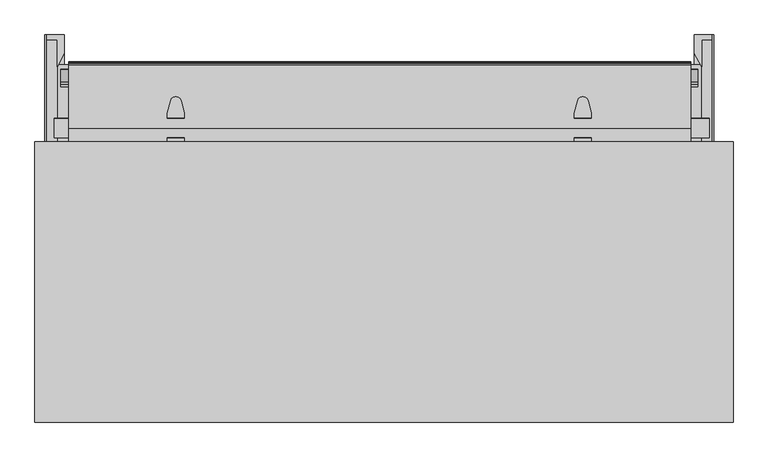
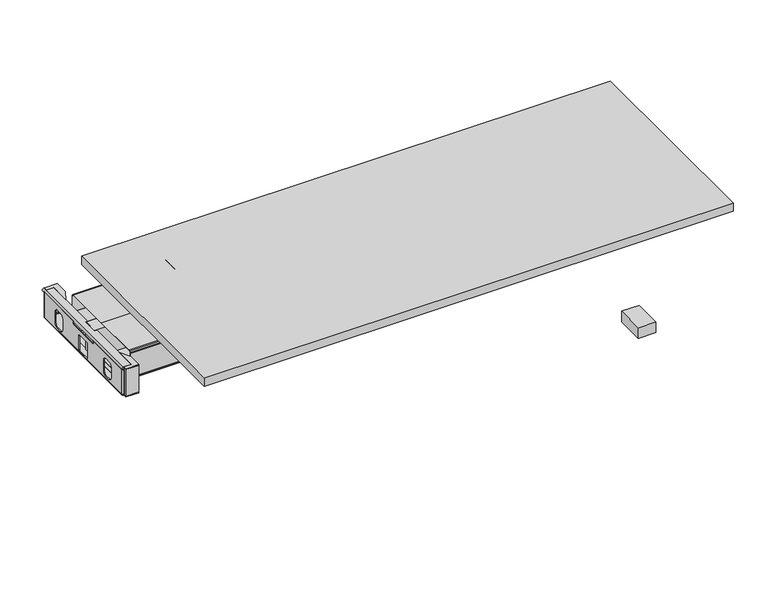
"""IFC4 building model written with IfcOpenShell, lengths in millimetres: furniture geometry."""

from ifc_helpers import new_model, si_unit, point, frame, frame_2d, origin, place, context, project, spatial, polyline, circle_curve, ellipse_curve, trimmed, segment, composite_curve, outline, extrude, faceted_brep, source, transform, mapped, element, save
from ifc_brep_helpers import plane_surface, cylinder_surface, revolved_surface, advanced_brep


def furniture_9c89288a(model_context):
    return source(origin(), model_context, "Body", "SolidModel", [
        advanced_brep(
        [(980.2317452, -273.2969187, 674.5336243), (980.2317452, -277.1711372, 673.7476984), (980.2317452, -279.3003677, 673.4744593), (980.2317452, -281.2716499, 673.3319535), (980.2317452, -283.3041204, 673.3469235), (980.2317452, -285.3440031, 673.5954548), (980.2317452, -293.0076705, 686.6122475), (980.2317452, -292.1591395, 694.0296), (980.2317452, -256.3964669, 694.0296), (980.2317452, -256.3964669, 678.5692428), (1013.0451645, -292.1591395, 694.0296), (1013.0451645, -293.0076705, 686.6122475), (1013.0451645, -285.3440031, 673.5954548), (1013.0451645, -283.3041204, 673.3469235), (1013.0451645, -281.2716499, 673.3319535), (1013.0451645, -279.3003677, 673.4744593), (1013.0451645, -277.1711372, 673.7476984), (1013.0451645, -273.2969187, 674.5336243), (1013.0451645, -257.5004732, 678.3056198), (1013.0451645, -257.5004732, 694.0296), (1012.1063131, -237.1317698, 694.0296), (1010.4193974, -235.8048758, 694.0296), (982.8066255, -235.8048758, 694.0296), (981.1197098, -237.1317698, 694.0296), (1011.2875126, -236.0381827, 690.6933211), (981.9385102, -236.0381827, 690.6933211), (1011.6291096, -236.2966335, 689.098215), (981.5969133, -236.2966335, 689.098215), (1011.9802739, -236.7820327, 687.5746161), (981.245749, -236.7820327, 687.5746161), (1012.1063131, -237.1317698, 686.8818029), (1012.1229046, -237.4917277, 686.1687426), (981.1031183, -237.4917277, 686.1687426), (981.1197098, -237.1317698, 686.8818029), (1012.1646804, -238.3980678, 684.9103165), (981.0613425, -238.3980678, 684.9103165), (1012.2167075, -239.5268143, 683.7736853), (981.0093154, -239.5268143, 683.7736853), (1012.341025, -242.2239244, 682.1070719), (980.8849979, -242.2239244, 682.1070719), (1012.4116573, -243.7563163, 681.5875542), (980.8143656, -243.7563163, 681.5875542)],
        [
            (0, 1),
            (1, 2),
            (2, 3),
            (3, 4),
            (4, 5),
            (5, 6),
            (6, 7),
            (7, 8),
            (8, 9),
            (9, 0),
            (10, 11),
            (11, 12),
            (12, 13),
            (13, 14),
            (14, 15),
            (15, 16),
            (16, 17),
            (17, 18),
            (18, 19),
            (19, 10),
            (7, 10),
            (19, 20),
            (20, 21, circle_curve(frame((1010.4177592, -237.5427158, 694.0296), z_axis=(0.0, 0.0, 1.0), x_axis=(-1.0, 0.0, 0.0)), 1.7378408)),
            (21, 22),
            (22, 23, circle_curve(frame((982.8082636, -237.5427158, 694.0296), z_axis=(0.0, 0.0, 1.0), x_axis=(1.0, 0.0, 0.0)), 1.7378408)),
            (23, 8),
            (21, 24, ellipse_curve(frame((1010.4177592, -237.5427158, 669.1785681), z_axis=(0.0, 0.997563808233696, -0.06975993479272999), x_axis=(0.0, -0.06975993479272999, -0.997563808233696)), 24.9117327, 1.7378408)),
            (24, 25),
            (25, 22, ellipse_curve(frame((982.8082636, -237.5427158, 669.1785681), z_axis=(0.0, 0.997563808233696, -0.06975993479272999), x_axis=(0.0, -0.06975993479272999, -0.997563808233696)), 24.9117327, 1.7378408)),
            (24, 26, ellipse_curve(frame((1010.4177592, -237.5427158, 681.4076466), z_axis=(0.0, 0.9871264986508672, -0.15994147573809478), x_axis=(0.0, -0.1599414757380948, -0.9871264986508672)), 10.8654796, 1.7378408)),
            (26, 27),
            (27, 25, ellipse_curve(frame((982.8082636, -237.5427158, 681.4076466), z_axis=(0.0, 0.9871264986508672, -0.15994147573809478), x_axis=(0.0, -0.1599414757380948, -0.9871264986508672)), 10.8654796, 1.7378408)),
            (26, 28, ellipse_curve(frame((1010.4177592, -237.5427158, 685.1869399), z_axis=(0.0, 0.9528141049574114, -0.3035544125757476), x_axis=(0.0, -0.3035544125757476, -0.9528141049574113)), 5.7249731, 1.7378408)),
            (28, 29),
            (29, 27, ellipse_curve(frame((982.8082636, -237.5427158, 685.1869399), z_axis=(0.0, 0.9528141049574114, -0.3035544125757476), x_axis=(0.0, -0.3035544125757476, -0.9528141049574113)), 5.7249731, 1.7378408)),
            (30, 31),
            (31, 32),
            (32, 33),
            (33, 29, ellipse_curve(frame((982.8082636, -237.5427158, 686.0677375), z_axis=(0.0, 0.8927040411549356, -0.45064342323576323), x_axis=(0.0, -0.45064342323576323, -0.8927040411549354)), 3.8563546, 1.7378408)),
            (28, 30, ellipse_curve(frame((1010.4177592, -237.5427158, 686.0677375), z_axis=(0.0, 0.8927040411549356, -0.45064342323576323), x_axis=(0.0, -0.45064342323576323, -0.8927040411549354)), 3.8563546, 1.7378408)),
            (31, 34),
            (34, 35),
            (35, 32),
            (34, 36),
            (36, 37),
            (37, 35),
            (36, 38),
            (38, 39),
            (39, 37),
            (38, 40),
            (40, 41),
            (41, 39),
            (17, 0),
            (9, 41),
            (40, 18),
            (16, 1),
            (15, 2),
            (14, 3),
            (13, 4),
            (12, 5),
            (11, 6),
            (30, 20),
            (23, 33),
        ],
        [
            plane_surface(frame((980.2317452, -277.6221997, 694.0296), z_axis=(-1.0, 0.0, 0.0), x_axis=(0.0, 1.0, 0.0))),
            plane_surface(frame((1013.0451645, -277.6221997, 694.0296), z_axis=(1.0, 0.0, 0.0), x_axis=(0.0, -1.0, 0.0))),
            plane_surface(frame((980.2317452, -292.1591395, 694.0296), z_axis=(0.0, 0.0, 1.0), x_axis=(1.0, 0.0, 0.0))),
            plane_surface(frame((980.2317452, -235.8048758, 694.0296), z_axis=(0.0, 0.997563808233696, -0.06975993479272999), x_axis=(1.0, 0.0, 0.0))),
            plane_surface(frame((980.2317452, -236.0381827, 690.6933211), z_axis=(0.0, 0.9871264986508672, -0.15994147573809478), x_axis=(1.0, 0.0, 0.0))),
            plane_surface(frame((980.2317452, -236.2966335, 689.098215), z_axis=(0.0, 0.9528141049574114, -0.3035544125757476), x_axis=(1.0, 0.0, 0.0))),
            plane_surface(frame((980.2317452, -236.7820327, 687.5746161), z_axis=(0.0, 0.8927040411549356, -0.45064342323576323), x_axis=(1.0, 0.0, 0.0))),
            plane_surface(frame((980.2317452, -237.4917277, 686.1687426), z_axis=(0.0, 0.8114507875380346, -0.5844207554526991), x_axis=(1.0, 0.0, 0.0))),
            plane_surface(frame((980.2317452, -238.3980678, 684.9103165), z_axis=(0.0, 0.709563582881154, -0.7046414136629068), x_axis=(1.0, 0.0, 0.0))),
            plane_surface(frame((980.2317452, -239.5268143, 683.7736853), z_axis=(0.0, 0.5256643953018258, -0.8506920379972801), x_axis=(1.0, 0.0, 0.0))),
            plane_surface(frame((980.2317452, -242.2239244, 682.1070719), z_axis=(0.0, 0.32107410172322703, -0.9470540751206464), x_axis=(1.0, 0.0, 0.0))),
            plane_surface(frame((980.2317452, -243.7563163, 681.5875542), z_axis=(0.0, 0.23225778917580225, -0.9726542650742702), x_axis=(1.0, 0.0, 0.0))),
            plane_surface(frame((980.2317452, -273.2969187, 674.5336243), z_axis=(0.0, 0.1988109622365403, -0.9800378570721546), x_axis=(1.0, 0.0, 0.0))),
            plane_surface(frame((980.2317452, -277.1711372, 673.7476984), z_axis=(0.0, 0.12728387031952287, -0.9918663298834591), x_axis=(1.0, 0.0, 0.0))),
            plane_surface(frame((980.2317452, -279.3003677, 673.4744593), z_axis=(0.0, 0.07210277493300896, -0.997397207659496), x_axis=(1.0, 0.0, 0.0))),
            plane_surface(frame((980.2317452, -281.2716499, 673.3319535), z_axis=(0.0, -0.007365229187275853, -0.9999728763316628), x_axis=(1.0, 0.0, 0.0))),
            plane_surface(frame((980.2317452, -283.3041204, 673.3469235), z_axis=(0.0, -0.12094176610084181, -0.992659603898743), x_axis=(1.0, 0.0, 0.0))),
            plane_surface(frame((980.2317452, -285.3440031, 673.5954548), z_axis=(0.0, -0.8617394273144986, -0.5073511204399573), x_axis=(1.0, 0.0, 0.0))),
            plane_surface(frame((980.2317452, -293.0076705, 686.6122475), z_axis=(0.0, -0.9935200698495489, 0.11365681152551958), x_axis=(1.0, 0.0, 0.0))),
            plane_surface(frame((1012.1063131, -237.1317698, 707.5184518), z_axis=(0.9989394147117105, 0.04604395438518826, 0.0), x_axis=(0.0, 0.0, -1.0))),
            cylinder_surface(frame((1010.4177592, -237.5427158, 664.7059687), z_axis=(0.0, 0.0, -1.0), x_axis=(-1.0, 0.0, 0.0)), 1.7378408),
            plane_surface(frame((978.4404627, -295.2589561, 707.5184518), z_axis=(-0.9989394147117104, 0.04604395438518822, 0.0), x_axis=(0.0, 0.0, -1.0))),
            cylinder_surface(frame((982.8082636, -237.5427158, 664.7059687), z_axis=(0.0, 0.0, -1.0), x_axis=(1.0, 0.0, 0.0)), 1.7378408),
        ],
        [
            (0, [[1, 2, 3, 4, 5, 6, 7, 8, 9, 10]]),
            (1, [[11, 12, 13, 14, 15, 16, 17, 18, 19, 20]]),
            (2, [[21, -20, 22, 23, 24, 25, 26, -8]]),
            (3, [[27, 28, 29, -24]]),
            (4, [[30, 31, 32, -28]]),
            (5, [[33, 34, 35, -31]]),
            (6, [[36, 37, 38, 39, -34, 40]]),
            (7, [[41, 42, 43, -37]]),
            (8, [[44, 45, 46, -42]]),
            (9, [[47, 48, 49, -45]]),
            (10, [[50, 51, 52, -48]]),
            (11, [[53, -10, 54, -51, 55, -18]]),
            (12, [[-1, -53, -17, 56]]),
            (13, [[-2, -56, -16, 57]]),
            (14, [[-3, -57, -15, 58]]),
            (15, [[-4, -58, -14, 59]]),
            (16, [[-5, -59, -13, 60]]),
            (17, [[-6, -60, -12, 61]]),
            (18, [[-7, -61, -11, -21]]),
            (19, [[62, -22, -19, -55, -50, -47, -44, -41, -36]]),
            (20, [[-62, -40, -33, -30, -27, -23]]),
            (21, [[63, -38, -43, -46, -49, -52, -54, -9, -26]]),
            (22, [[-63, -25, -29, -32, -35, -39]]),
        ],
    ),
        faceted_brep([(979.001947, -282.1027948, 686.044488), (978.8056147, -285.039303, 686.8903046), (1014.3145074, -285.039303, 686.8903046), (1014.1791554, -282.1027948, 686.044488), (979.1465732, -279.9396455, 684.1507699), (1014.0794497, -279.9396455, 684.1507699), (979.2145724, -278.9225927, 681.8837571), (1014.0325708, -278.9225927, 681.8837571), (979.2293768, -278.7011673, 680.5487368), (1014.0223647, -278.7011673, 680.5487368), (979.2261142, -278.7499652, 679.266911), (1014.0246139, -278.7499652, 679.266911), (979.2106539, -278.9812011, 677.9856665), (1014.0352722, -278.9812011, 677.9856665), (979.1493839, -279.8976059, 676.147552), (1014.0775119, -279.8976059, 676.147552), (979.0326986, -281.6428482, 674.4888596), (1014.1579551, -281.6428482, 674.4888596), (978.8544858, -284.3083469, 673.4638495), (1014.2808155, -284.3083469, 673.4638495), (978.762786, -285.6798838, 673.3923422), (1014.3440336, -285.6798838, 673.3923422), (975.8473822, -329.285071, 680.0595952), (1014.7855602, -295.2589561, 674.8569867), (1015.3204622, -295.2589561, 674.8569867), (1017.5954178, -329.285071, 680.0595952), (975.8040016, -329.9339079, 680.1595153), (1017.6387984, -329.9339079, 680.1595153), (1016.216104, -331.0015723, 680.3239343), (1012.8218056, -332.2508783, 680.516326), (980.6209944, -332.2508783, 680.516326), (977.226696, -331.0015723, 680.3239343), (985.8962098, -334.1924749, 680.8136916), (1007.5465902, -334.1924749, 680.8136916), (990.1723762, -335.7663614, 681.9486514), (1003.2704238, -335.7663614, 681.9486514), (989.8005958, -335.6295239, 684.2460402), (1003.6422042, -335.6295239, 684.2460402), (985.3815491, -334.0030488, 685.1806857), (1008.0612509, -334.0030488, 685.1806857), (977.9840778, -331.2803344, 685.2767186), (1015.4587222, -331.2803344, 685.2767186), (975.8040016, -329.9339079, 685.3237023), (977.226696, -331.0015723, 685.286446), (1016.216104, -331.0015723, 685.286446), (1017.6387984, -329.9339079, 685.3237023), (1015.3204622, -295.2589561, 686.5336886), (1014.7855602, -295.2589561, 686.5336886)], [[[0, 1, 2, 3]], [[4, 0, 3, 5]], [[6, 4, 5, 7]], [[8, 6, 7, 9]], [[10, 8, 9, 11]], [[12, 10, 11, 13]], [[14, 12, 13, 15]], [[16, 14, 15, 17]], [[18, 16, 17, 19]], [[20, 18, 19, 21]], [[22, 20, 21, 23, 24, 25]], [[26, 22, 25, 27, 28, 29, 30, 31]], [[32, 30, 29, 33]], [[34, 32, 33, 35]], [[36, 34, 35, 37]], [[38, 36, 37, 39]], [[40, 38, 39, 41]], [[1, 42, 43, 40, 41, 44, 45, 46, 47, 2]], [[26, 42, 1, 0, 4, 6, 8, 10, 12, 14, 16, 18, 20, 22]], [[43, 31, 30, 32, 34, 36, 38, 40]], [[42, 26, 31, 43]], [[47, 23, 21, 19, 17, 15, 13, 11, 9, 7, 5, 3, 2]], [[23, 47, 46, 24]], [[45, 27, 25, 24, 46]], [[28, 44, 41, 39, 37, 35, 33, 29]], [[44, 28, 27, 45]]]),
        extrude(outline(polyline([(-716.6329639, 633.2744336), (-716.6329639, 639.3704277), (-671.6647785, 639.3704277), (-671.6647785, 633.2744336), (-716.6329639, 633.2744336)])), frame((0.0, 0.0, 332.4085572), z_axis=(0.0, 0.0, 1.0), x_axis=(1.0, 0.0, 0.0)), (0.0, 0.0, 1.0), 96.2863103),
        extrude(outline(polyline([(-716.6329639, 627.2010571), (-716.6329639, 639.3704277), (-671.6647785, 639.3704277), (-671.6647785, 627.2010571), (-716.6329639, 627.2010571)])), frame((0.0, 0.0, 329.7517063), z_axis=(0.0, 0.0, 1.0), x_axis=(1.0, 0.0, 0.0)), (0.0, 0.0, 1.0), 2.6568509),
        extrude(outline(polyline([(-690.7147785, 557.0887375), (-690.7147785, 627.4425925), (-716.6329639, 627.4425925), (-716.6329639, 639.3704277), (-671.6647785, 639.3704277), (-671.6647785, 592.5319047), (-690.7147785, 557.0887375)])), frame((0.0, 0.0, 428.6948675), z_axis=(0.0, 0.0, 1.0), x_axis=(1.0, 0.0, 0.0)), (0.0, 0.0, 1.0), 2.6568509),
        extrude(outline(polyline([(-716.6329639, 158.9882127), (-716.6329639, 170.9160479), (-671.6647785, 170.9160479), (-671.6647785, 158.9882127), (-716.6329639, 158.9882127)])), frame((0.0, 0.0, 329.7517063), z_axis=(0.0, 0.0, 1.0), x_axis=(1.0, 0.0, 0.0)), (0.0, 0.0, 1.0), 2.6568509),
        extrude(outline(polyline([(-716.6329639, 158.9882127), (-716.6329639, 165.0842069), (-671.6647785, 165.0842069), (-671.6647785, 158.9882127), (-716.6329639, 158.9882127)])), frame((0.0, 0.0, 332.4085572), z_axis=(0.0, 0.0, 1.0), x_axis=(1.0, 0.0, 0.0)), (0.0, 0.0, 1.0), 96.2863103),
        extrude(outline(polyline([(-690.766129, 241.2699029), (-671.6647785, 205.8267357), (-671.6647785, 158.9882127), (-716.6329639, 158.9882127), (-716.6329639, 170.9160479), (-690.766129, 170.9160479), (-690.766129, 241.2699029)])), frame((0.0, 0.0, 428.6948675), z_axis=(0.0, 0.0, 1.0), x_axis=(1.0, 0.0, 0.0)), (0.0, 0.0, 1.0), 2.6568509),
        extrude(outline(composite_curve([segment(trimmed(circle_curve(frame_2d((-716.684237, 170.9160479)), 5.8318411), [point((-716.684237, 165.0842069))], [point((-722.5160781, 170.9160479))], False, "CARTESIAN"), True, "CONTINUOUS"), segment(polyline([(-722.5160781, 170.9160479), (-719.8593386, 170.9160479)]), True, "CONTINUOUS"), segment(trimmed(circle_curve(frame_2d((-716.6843029, 170.9160843)), 3.1750357), [point((-719.8593386, 170.9160479))], [point((-716.6144408, 167.7418174))], True, "CARTESIAN"), True, "CONTINUOUS"), segment(polyline([(-716.6144408, 167.7418174), (-671.6647785, 167.7418174), (-671.6647785, 165.0842069), (-716.684237, 165.0842069)]), True, "CONTINUOUS")], self_intersect=False)), frame((0.0, 0.0, 337.371699), z_axis=(0.0, 0.0, 1.0), x_axis=(1.0, 0.0, 0.0)), (0.0, 0.0, 1.0), 87.8941627),
        extrude(outline(polyline([(342.9173325, 425.2658616), (337.0354481, 421.6463878), (337.0354481, 416.1853839), (341.0613469, 412.1594669), (457.0505017, 412.1594669), (461.0764369, 416.1853839), (461.0764369, 421.6463878), (454.0472738, 425.9718869), (627.4425766, 425.9718869), (627.4425766, 333.9274688), (170.9160479, 333.9274688), (170.9160479, 425.2658616), (342.9173325, 425.2658616)]), holes=[polyline([(233.9635599, 355.1517184), (235.6650368, 348.8017063), (240.3135539, 344.1531891), (246.663566, 342.4517305), (265.713566, 342.4517305), (272.0635599, 344.1531891), (276.7120862, 348.8017063), (278.413563, 355.1517184), (278.413563, 393.2517184), (276.7120862, 399.6017305), (272.0635599, 404.2502476), (265.713566, 405.9517063), (246.663566, 405.9517063), (240.3135539, 404.2502476), (235.6650368, 399.6017305), (233.9635599, 393.2517184), (233.9635599, 355.1517184)]), polyline([(424.4559432, 341.1336423), (424.4559432, 392.426696), (423.9200452, 394.4267193), (422.4559432, 395.8908015), (420.4559432, 396.4267063), (377.6345424, 396.4267063), (375.6345441, 395.8908015), (374.1704415, 394.4267193), (373.6345435, 392.426696), (373.6345435, 341.1336423), (374.1704415, 339.1336554), (375.6345441, 337.6695369), (377.6345424, 337.1336321), (420.4559432, 337.1336321), (422.4559432, 337.6695369), (423.9200452, 339.1336554), (424.4559432, 341.1336423)]), polyline([(564.1483295, 355.1517184), (564.1483295, 393.2517184), (562.4468527, 399.6017305), (557.7983356, 404.2502476), (551.4483235, 405.9517063), (532.3983235, 405.9517063), (526.0483295, 404.2502476), (521.3998033, 399.6017305), (519.6983265, 393.2517184), (519.6983265, 355.1517184), (521.3998033, 348.8017063), (526.0483295, 344.1531891), (532.3983235, 342.4517305), (551.4483235, 342.4517305), (557.7983356, 344.1531891), (562.4468527, 348.8017063), (564.1483295, 355.1517184)])]), frame((-722.5160781, 0.0, 0.0), z_axis=(1.0, 0.0, 0.0), x_axis=(0.0, 1.0, 0.0)), (0.0, 0.0, 1.0), 2.6568146),
        extrude(outline(composite_curve([segment(trimmed(circle_curve(frame_2d((425.1720964, -716.3268352)), 6.1899531), [point((431.3517184, -716.6843144))], [point((425.2658616, -722.5160781))], False, "CARTESIAN"), True, "CONTINUOUS"), segment(polyline([(425.2658616, -722.5160781), (425.2658616, -719.8895529)]), True, "CONTINUOUS"), segment(trimmed(circle_curve(frame_2d((425.2452738, -716.4400206)), 3.4495937), [point((425.2658616, -719.8895529))], [point((428.6948675, -716.4400206))], True, "CARTESIAN"), True, "CONTINUOUS"), segment(polyline([(428.6948675, -716.4400206), (428.6948675, -690.766129), (431.3517184, -690.766129), (431.3517184, -716.6843144)]), True, "CONTINUOUS")], self_intersect=False)), frame((0.0, 170.9160479, 0.0), z_axis=(0.0, 1.0, 0.0), x_axis=(0.0, 0.0, 1.0)), (0.0, 0.0, 1.0), 468.4543798),
        extrude(outline(composite_curve([segment(polyline([(-716.6841619, 633.0328981), (-672.5648392, 633.0328981), (-672.5648392, 630.3752876), (-716.6143657, 630.3752876)]), True, "CONTINUOUS"), segment(trimmed(circle_curve(frame_2d((-716.6842278, 627.2010206)), 3.1750357), [point((-716.6143657, 630.3752876))], [point((-719.8592635, 627.2010571))], True, "CARTESIAN"), True, "CONTINUOUS"), segment(polyline([(-719.8592635, 627.2010571), (-722.5160029, 627.2010571)]), True, "CONTINUOUS"), segment(trimmed(circle_curve(frame_2d((-716.6841619, 627.2010571)), 5.8318411), [point((-722.5160029, 627.2010571))], [point((-716.6841619, 633.0328981))], False, "CARTESIAN"), True, "CONTINUOUS")], self_intersect=False)), frame((0.0, 0.0, 337.371699), z_axis=(0.0, 0.0, 1.0), x_axis=(1.0, 0.0, 0.0)), (0.0, 0.0, 1.0), 87.8941627),
        extrude(outline(composite_curve([segment(polyline([(335.5835451, -719.8592635), (335.5835451, -722.5160029)]), True, "CONTINUOUS"), segment(trimmed(circle_curve(frame_2d((335.5835451, -716.6841641)), 5.8318388), [point((335.5835451, -722.5160029))], [point((329.7517063, -716.6841641))], False, "CARTESIAN"), True, "CONTINUOUS"), segment(polyline([(329.7517063, -716.6841641), (329.7517063, -671.6647785), (332.4090868, -671.6647785), (332.4090868, -716.6263376)]), True, "CONTINUOUS"), segment(trimmed(circle_curve(frame_2d((335.5834916, -716.684329)), 3.1749345), [point((332.4090868, -716.6263376))], [point((335.5835451, -719.8592635))], True, "CARTESIAN"), True, "CONTINUOUS")], self_intersect=False)), frame((0.0, 170.9160479, 0.0), z_axis=(0.0, 1.0, 0.0), x_axis=(0.0, 0.0, 1.0)), (0.0, 0.0, 1.0), 456.2850092),
        extrude(outline(polyline([(988.613747, 562.6755316), (988.613747, 235.531324), (-694.0181082, 235.531324), (-694.0181082, 562.6755316), (988.613747, 562.6755316)])), frame((0.0, 0.0, 332.4090868), z_axis=(0.0, 0.0, 1.0), x_axis=(1.0, 0.0, 0.0)), (0.0, 0.0, 1.0), 1.518382),
        extrude(outline(polyline([(997.2505912, 639.3704277), (997.2505912, 633.2744336), (952.2824058, 633.2744336), (952.2824058, 639.3704277), (997.2505912, 639.3704277)])), frame((0.0, 0.0, 332.4085572), z_axis=(0.0, 0.0, 1.0), x_axis=(1.0, 0.0, 0.0)), (0.0, 0.0, 1.0), 96.2863103),
        extrude(outline(polyline([(997.2505912, 639.3704277), (997.2505912, 627.2010571), (952.2824058, 627.2010571), (952.2824058, 639.3704277), (997.2505912, 639.3704277)])), frame((0.0, 0.0, 329.7517063), z_axis=(0.0, 0.0, 1.0), x_axis=(1.0, 0.0, 0.0)), (0.0, 0.0, 1.0), 2.6568509),
        extrude(outline(polyline([(971.3324058, 557.0887375), (952.2824058, 592.5319047), (952.2824058, 639.3704277), (997.2505912, 639.3704277), (997.2505912, 627.4425925), (971.3324058, 627.4425925), (971.3324058, 557.0887375)])), frame((0.0, 0.0, 428.6948675), z_axis=(0.0, 0.0, 1.0), x_axis=(1.0, 0.0, 0.0)), (0.0, 0.0, 1.0), 2.6568509),
        extrude(outline(polyline([(997.2505912, 170.9160479), (997.2505912, 158.9882127), (952.2824058, 158.9882127), (952.2824058, 170.9160479), (997.2505912, 170.9160479)])), frame((0.0, 0.0, 329.7517063), z_axis=(0.0, 0.0, 1.0), x_axis=(1.0, 0.0, 0.0)), (0.0, 0.0, 1.0), 2.6568509),
        extrude(outline(polyline([(997.2505912, 165.0842069), (997.2505912, 158.9882127), (952.2824058, 158.9882127), (952.2824058, 165.0842069), (997.2505912, 165.0842069)])), frame((0.0, 0.0, 332.4085572), z_axis=(0.0, 0.0, 1.0), x_axis=(1.0, 0.0, 0.0)), (0.0, 0.0, 1.0), 96.2863103),
        extrude(outline(polyline([(971.3324058, 241.2699029), (971.3324058, 170.9160479), (997.2505912, 170.9160479), (997.2505912, 158.9882127), (952.2824058, 158.9882127), (952.2824058, 205.8267357), (971.3324058, 241.2699029)])), frame((0.0, 0.0, 428.6948675), z_axis=(0.0, 0.0, 1.0), x_axis=(1.0, 0.0, 0.0)), (0.0, 0.0, 1.0), 2.6568509),
        extrude(outline(composite_curve([segment(polyline([(997.3018643, 165.0842069), (952.2824058, 165.0842069), (952.2824058, 167.7418174), (997.2320682, 167.7418174)]), True, "CONTINUOUS"), segment(trimmed(circle_curve(frame_2d((997.3019303, 170.9160843)), 3.1750357), [point((997.2320682, 167.7418174))], [point((1000.476966, 170.9160479))], True, "CARTESIAN"), True, "CONTINUOUS"), segment(polyline([(1000.476966, 170.9160479), (1003.1337054, 170.9160479)]), True, "CONTINUOUS"), segment(trimmed(circle_curve(frame_2d((997.3018643, 170.9160479)), 5.8318411), [point((1003.1337054, 170.9160479))], [point((997.3018643, 165.0842069))], False, "CARTESIAN"), True, "CONTINUOUS")], self_intersect=False)), frame((0.0, 0.0, 337.371699), z_axis=(0.0, 0.0, 1.0), x_axis=(1.0, 0.0, 0.0)), (0.0, 0.0, 1.0), 87.8941627),
        extrude(outline(polyline([(342.9173325, 425.2658616), (337.0354481, 421.6463878), (337.0354481, 416.1853839), (341.0613469, 412.1594669), (457.0505017, 412.1594669), (461.0764369, 416.1853839), (461.0764369, 421.6463878), (454.0472738, 425.9718869), (627.4425766, 425.9718869), (627.4425766, 333.9274688), (170.9160479, 333.9274688), (170.9160479, 425.2658616), (342.9173325, 425.2658616)]), holes=[polyline([(233.9635599, 355.1517184), (235.6650368, 348.8017063), (240.3135539, 344.1531891), (246.663566, 342.4517305), (265.713566, 342.4517305), (272.0635599, 344.1531891), (276.7120862, 348.8017063), (278.413563, 355.1517184), (278.413563, 393.2517184), (276.7120862, 399.6017305), (272.0635599, 404.2502476), (265.713566, 405.9517063), (246.663566, 405.9517063), (240.3135539, 404.2502476), (235.6650368, 399.6017305), (233.9635599, 393.2517184), (233.9635599, 355.1517184)]), polyline([(424.4559432, 341.1336423), (424.4559432, 392.426696), (423.9200452, 394.4267193), (422.4559432, 395.8908015), (420.4559432, 396.4267063), (377.6345424, 396.4267063), (375.6345441, 395.8908015), (374.1704415, 394.4267193), (373.6345435, 392.426696), (373.6345435, 341.1336423), (374.1704415, 339.1336554), (375.6345441, 337.6695369), (377.6345424, 337.1336321), (420.4559432, 337.1336321), (422.4559432, 337.6695369), (423.9200452, 339.1336554), (424.4559432, 341.1336423)]), polyline([(564.1483295, 355.1517184), (564.1483295, 393.2517184), (562.4468527, 399.6017305), (557.7983356, 404.2502476), (551.4483235, 405.9517063), (532.3983235, 405.9517063), (526.0483295, 404.2502476), (521.3998033, 399.6017305), (519.6983265, 393.2517184), (519.6983265, 355.1517184), (521.3998033, 348.8017063), (526.0483295, 344.1531891), (532.3983235, 342.4517305), (551.4483235, 342.4517305), (557.7983356, 344.1531891), (562.4468527, 348.8017063), (564.1483295, 355.1517184)])]), frame((997.2505912, 0.0, 0.0), z_axis=(1.0, 0.0, 0.0), x_axis=(0.0, 1.0, 0.0)), (0.0, 0.0, 1.0), 3.2262996),
        faceted_brep([(943.1400259, 227.963817, 425.8310036), (943.1400259, 227.963817, 340.2751793), (943.1400259, 227.963817, 338.091367), (943.1400259, 228.9762009, 334.3130557), (943.1400259, 231.7467258, 331.542549), (943.1400259, 235.531324, 330.5284757), (943.1400259, 398.8377457, 330.5284757), (943.1400259, 562.8273164, 330.5284757), (943.1400259, 566.6119146, 331.542549), (943.1400259, 569.3824396, 334.3130557), (943.1400259, 570.3948234, 338.091367), (943.1400259, 570.3948234, 340.2751793), (943.1400259, 570.3948234, 425.8310036), (943.1400259, 569.4215919, 429.4631947), (943.1400259, 566.6102252, 432.3861267), (943.1400259, 562.825627, 433.4002), (943.1400259, 397.785447, 433.4002), (943.1400259, 235.5330134, 433.4002), (943.1400259, 231.7484152, 432.3861267), (943.1400259, 228.9370485, 429.4631947), (943.1400259, 235.5330134, 432.1810157), (943.1400259, 396.9389352, 432.1810157), (943.1400259, 562.825627, 432.1810157), (943.1400259, 566.000633, 431.3302682), (943.1400259, 568.3248916, 429.0059915), (943.1400259, 569.1756391, 425.8310036), (943.1400259, 569.1756391, 340.2751793), (943.1400259, 569.1756391, 338.0914349), (943.1400259, 568.326581, 334.9226842), (943.1400259, 566.0023225, 332.5984075), (943.1400259, 562.8273164, 331.74766), (943.1400259, 397.7786116, 331.74766), (943.1400259, 235.531324, 331.74766), (943.1400259, 232.3563179, 332.5984075), (943.1400259, 230.0320594, 334.9226842), (943.1400259, 229.1830013, 338.0914349), (943.1400259, 229.1830013, 340.2751793), (943.1400259, 229.1830013, 425.8310036), (943.1400259, 230.0337488, 429.0059915), (943.1400259, 232.3580074, 431.3302682), (-660.9408985, 227.963817, 425.8310036), (-660.9408985, 228.9370485, 429.4631947), (-660.9408985, 231.7484152, 432.3861267), (-660.9408985, 235.5330134, 433.4002), (-660.9408985, 397.785447, 433.4002), (-660.9408985, 562.825627, 433.4002), (-660.9408985, 566.6102252, 432.3861267), (-660.9408985, 569.4215919, 429.4631947), (-660.9408985, 570.3948234, 425.8310036), (-660.9408985, 570.3948234, 340.2751793), (-660.9408985, 570.3948234, 338.091367), (-660.9408985, 569.3824396, 334.3130557), (-660.9408985, 566.6119146, 331.542549), (-660.9408985, 562.8273164, 330.5284757), (-660.9408985, 398.8377457, 330.5284757), (-660.9408985, 235.531324, 330.5284757), (-660.9408985, 231.7467258, 331.542549), (-660.9408985, 228.9762009, 334.3130557), (-660.9408985, 227.963817, 338.091367), (-660.9408985, 227.963817, 340.2751793), (-660.9408985, 235.5330134, 432.1810157), (-660.9408985, 232.3580074, 431.3302682), (-660.9408985, 230.0337488, 429.0059915), (-660.9408985, 229.1830013, 425.8310036), (-660.9408985, 229.1830013, 340.2751793), (-660.9408985, 229.1830013, 338.0914349), (-660.9408985, 230.0320594, 334.9226842), (-660.9408985, 232.3563179, 332.5984075), (-660.9408985, 235.531324, 331.74766), (-660.9408985, 397.7786116, 331.74766), (-660.9408985, 562.8273164, 331.74766), (-660.9408985, 566.0023225, 332.5984075), (-660.9408985, 568.326581, 334.9226842), (-660.9408985, 569.1756391, 338.0914349), (-660.9408985, 569.1756391, 340.2751793), (-660.9408985, 569.1756391, 425.8310036), (-660.9408985, 568.3248916, 429.0059915), (-660.9408985, 566.000633, 431.3302682), (-660.9408985, 562.825627, 432.1810157), (-660.9408985, 396.9389352, 432.1810157), (-406.7047758, 360.9565261, 432.1810157), (-398.0451218, 328.5218157, 432.1810157), (-395.6303984, 323.3434246, 432.1810157), (-391.1899754, 319.7476409, 432.1810157), (-385.6226676, 318.4623267, 432.1810157), (-383.336917, 318.4623267, 432.1810157), (-377.7696093, 319.7476409, 432.1810157), (-373.3291863, 323.3434246, 432.1810157), (-370.9144421, 328.5218604, 432.1810157), (-362.2548, 360.9565261, 432.1810157), (-362.2548, 373.6565253, 432.1810157), (-406.7047758, 373.6565253, 432.1810157), (687.2587307, 360.9565261, 432.1810157), (687.2587307, 373.6565253, 432.1810157), (642.8087549, 373.6565253, 432.1810157), (642.8087549, 360.9565261, 432.1810157), (651.468397, 328.5218604, 432.1810157), (653.8831412, 323.3434246, 432.1810157), (658.3235642, 319.7476409, 432.1810157), (663.890872, 318.4623267, 432.1810157), (666.1766226, 318.4623267, 432.1810157), (671.7439303, 319.7476409, 432.1810157), (676.1843533, 323.3434246, 432.1810157), (678.5990767, 328.5218157, 432.1810157), (-398.0451218, 328.5218157, 433.4002), (-406.7047758, 360.9565261, 433.4002), (-406.7047758, 373.6565253, 433.4002), (-362.2548, 373.6565253, 433.4002), (-362.2548, 360.9565261, 433.4002), (-370.9144421, 328.5218604, 433.4002), (-373.3291863, 323.3434246, 433.4002), (-377.7696093, 319.7476409, 433.4002), (-383.336917, 318.4623267, 433.4002), (-385.6226676, 318.4623267, 433.4002), (-391.1899754, 319.7476409, 433.4002), (-395.6303984, 323.3434246, 433.4002), (687.2587307, 373.6565253, 433.4002), (687.2587307, 360.9565261, 433.4002), (678.5990767, 328.5218157, 433.4002), (676.1843533, 323.3434246, 433.4002), (671.7439303, 319.7476409, 433.4002), (666.1766226, 318.4623267, 433.4002), (663.890872, 318.4623267, 433.4002), (658.3235642, 319.7476409, 433.4002), (653.8831412, 323.3434246, 433.4002), (651.468397, 328.5218604, 433.4002), (642.8087549, 360.9565261, 433.4002), (642.8087549, 373.6565253, 433.4002), (-406.7047758, 424.7021151, 433.4002), (-406.7047758, 437.4021143, 433.4002), (-398.0451218, 469.8368247, 433.4002), (-395.6303984, 475.0152158, 433.4002), (-391.1899754, 478.6109995, 433.4002), (-385.6226676, 479.8963137, 433.4002), (-383.336917, 479.8963137, 433.4002), (-377.7696093, 478.6109995, 433.4002), (-373.3291863, 475.0152158, 433.4002), (-370.9144421, 469.83678, 433.4002), (-362.2548, 437.4021143, 433.4002), (-362.2548, 424.7021151, 433.4002), (678.5990767, 469.8368247, 433.4002), (687.2587307, 437.4021143, 433.4002), (687.2587307, 424.7021151, 433.4002), (642.8087549, 424.7021151, 433.4002), (642.8087549, 437.4021143, 433.4002), (651.468397, 469.83678, 433.4002), (653.8831412, 475.0152158, 433.4002), (658.3235642, 478.6109995, 433.4002), (663.890872, 479.8963137, 433.4002), (666.1766226, 479.8963137, 433.4002), (671.7439303, 478.6109995, 433.4002), (676.1843533, 475.0152158, 433.4002), (-406.7047758, 437.4021143, 432.1810157), (-406.7047758, 424.7021151, 432.1810157), (-362.2548, 424.7021151, 432.1810157), (-362.2548, 437.4021143, 432.1810157), (-370.9144421, 469.83678, 432.1810157), (-373.3291863, 475.0152158, 432.1810157), (-377.7696093, 478.6109995, 432.1810157), (-383.336917, 479.8963137, 432.1810157), (-385.6226676, 479.8963137, 432.1810157), (-391.1899754, 478.6109995, 432.1810157), (-395.6303984, 475.0152158, 432.1810157), (-398.0451218, 469.8368247, 432.1810157), (687.2587307, 437.4021143, 432.1810157), (678.5990767, 469.8368247, 432.1810157), (676.1843533, 475.0152158, 432.1810157), (671.7439303, 478.6109995, 432.1810157), (666.1766226, 479.8963137, 432.1810157), (663.890872, 479.8963137, 432.1810157), (658.3235642, 478.6109995, 432.1810157), (653.8831412, 475.0152158, 432.1810157), (651.468397, 469.83678, 432.1810157), (642.8087549, 437.4021143, 432.1810157), (642.8087549, 424.7021151, 432.1810157), (687.2587307, 424.7021151, 432.1810157)], [[[0, 1, 2, 3, 4, 5, 6, 7, 8, 9, 10, 11, 12, 13, 14, 15, 16, 17, 18, 19], [20, 21, 22, 23, 24, 25, 26, 27, 28, 29, 30, 31, 32, 33, 34, 35, 36, 37, 38, 39]], [[40, 41, 42, 43, 44, 45, 46, 47, 48, 49, 50, 51, 52, 53, 54, 55, 56, 57, 58, 59], [60, 61, 62, 63, 64, 65, 66, 67, 68, 69, 70, 71, 72, 73, 74, 75, 76, 77, 78, 79]], [[37, 36, 64, 63]], [[38, 37, 63, 62]], [[39, 38, 62, 61]], [[20, 39, 61, 60]], [[21, 20, 60, 79], [80, 81, 82, 83, 84, 85, 86, 87, 88, 89, 90, 91], [92, 93, 94, 95, 96, 97, 98, 99, 100, 101, 102, 103]], [[17, 16, 44, 43], [104, 105, 106, 107, 108, 109, 110, 111, 112, 113, 114, 115], [116, 117, 118, 119, 120, 121, 122, 123, 124, 125, 126, 127]], [[18, 17, 43, 42]], [[19, 18, 42, 41]], [[0, 19, 41, 40]], [[1, 0, 40, 59]], [[2, 1, 59, 58]], [[3, 2, 58, 57]], [[4, 3, 57, 56]], [[5, 4, 56, 55]], [[6, 5, 55, 54]], [[7, 6, 54, 53]], [[8, 7, 53, 52]], [[9, 8, 52, 51]], [[10, 9, 51, 50]], [[11, 10, 50, 49]], [[12, 11, 49, 48]], [[13, 12, 48, 47]], [[14, 13, 47, 46]], [[15, 14, 46, 45]], [[16, 15, 45, 44], [128, 129, 130, 131, 132, 133, 134, 135, 136, 137, 138, 139], [140, 141, 142, 143, 144, 145, 146, 147, 148, 149, 150, 151]], [[22, 21, 79, 78], [152, 153, 154, 155, 156, 157, 158, 159, 160, 161, 162, 163], [164, 165, 166, 167, 168, 169, 170, 171, 172, 173, 174, 175]], [[23, 22, 78, 77]], [[24, 23, 77, 76]], [[25, 24, 76, 75]], [[26, 25, 75, 74]], [[27, 26, 74, 73]], [[28, 27, 73, 72]], [[29, 28, 72, 71]], [[30, 29, 71, 70]], [[31, 30, 70, 69]], [[32, 31, 69, 68]], [[33, 32, 68, 67]], [[34, 33, 67, 66]], [[35, 34, 66, 65]], [[36, 35, 65, 64]], [[80, 105, 104, 81]], [[81, 104, 115, 82]], [[82, 115, 114, 83]], [[83, 114, 113, 84]], [[84, 113, 112, 85]], [[85, 112, 111, 86]], [[86, 111, 110, 87]], [[87, 110, 109, 88]], [[88, 109, 108, 89]], [[89, 108, 107, 90]], [[90, 107, 106, 91]], [[105, 80, 91, 106]], [[92, 117, 116, 93]], [[93, 116, 127, 94]], [[94, 127, 126, 95]], [[95, 126, 125, 96]], [[96, 125, 124, 97]], [[97, 124, 123, 98]], [[98, 123, 122, 99]], [[99, 122, 121, 100]], [[100, 121, 120, 101]], [[101, 120, 119, 102]], [[102, 119, 118, 103]], [[117, 92, 103, 118]], [[152, 129, 128, 153]], [[153, 128, 139, 154]], [[154, 139, 138, 155]], [[155, 138, 137, 156]], [[156, 137, 136, 157]], [[157, 136, 135, 158]], [[158, 135, 134, 159]], [[159, 134, 133, 160]], [[160, 133, 132, 161]], [[161, 132, 131, 162]], [[162, 131, 130, 163]], [[129, 152, 163, 130]], [[164, 141, 140, 165]], [[165, 140, 151, 166]], [[166, 151, 150, 167]], [[167, 150, 149, 168]], [[168, 149, 148, 169]], [[169, 148, 147, 170]], [[170, 147, 146, 171]], [[171, 146, 145, 172]], [[172, 145, 144, 173]], [[173, 144, 143, 174]], [[174, 143, 142, 175]], [[141, 164, 175, 142]]]),
        extrude(outline(composite_curve([segment(trimmed(circle_curve(frame_2d((422.8428694, 431.8444538)), 1.5557462), [point((422.8428694, 433.4002))], [point((424.3986156, 431.8444538))], False, "CARTESIAN"), True, "CONTINUOUS"), segment(polyline([(424.3986156, 431.8444538), (424.3986156, 333.9274688), (374.3606156, 333.9274688), (374.3606156, 433.4002), (422.8428694, 433.4002)]), True, "CONTINUOUS")], self_intersect=False)), frame((-698.3783882, 0.0, 0.0), z_axis=(1.0, 0.0, 0.0), x_axis=(0.0, 1.0, 0.0)), (0.0, 0.0, 1.0), 1689.2789923),
        extrude(outline(composite_curve([segment(polyline([(431.3517184, 997.2505912), (431.3517184, 971.3324058), (428.6948675, 971.3324058), (428.6948675, 997.0062975)]), True, "CONTINUOUS"), segment(trimmed(circle_curve(frame_2d((425.2452738, 997.0062975)), 3.4495937), [point((428.6948675, 997.0062975))], [point((425.2658616, 1000.4558297))], True, "CARTESIAN"), True, "CONTINUOUS"), segment(polyline([(425.2658616, 1000.4558297), (425.2658616, 1003.0823549)]), True, "CONTINUOUS"), segment(trimmed(circle_curve(frame_2d((425.1720964, 996.893112)), 6.1899531), [point((425.2658616, 1003.0823549))], [point((431.3517184, 997.2505912))], False, "CARTESIAN"), True, "CONTINUOUS")], self_intersect=False)), frame((0.0, 170.9160479, 0.0), z_axis=(0.0, 1.0, 0.0), x_axis=(0.0, 0.0, 1.0)), (0.0, 0.0, 1.0), 468.4543798),
        extrude(outline(composite_curve([segment(trimmed(circle_curve(frame_2d((996.4017284, 627.2010571)), 5.8318411), [point((996.4017284, 633.0328981))], [point((1002.2335695, 627.2010571))], False, "CARTESIAN"), True, "CONTINUOUS"), segment(polyline([(1002.2335695, 627.2010571), (999.5768301, 627.2010571)]), True, "CONTINUOUS"), segment(trimmed(circle_curve(frame_2d((996.4017944, 627.2010206)), 3.1750357), [point((999.5768301, 627.2010571))], [point((996.3319323, 630.3752876))], True, "CARTESIAN"), True, "CONTINUOUS"), segment(polyline([(996.3319323, 630.3752876), (952.2824058, 630.3752876), (952.2824058, 633.0328981), (996.4017284, 633.0328981)]), True, "CONTINUOUS")], self_intersect=False)), frame((0.0, 0.0, 337.371699), z_axis=(0.0, 0.0, 1.0), x_axis=(1.0, 0.0, 0.0)), (0.0, 0.0, 1.0), 87.8941627),
        extrude(outline(composite_curve([segment(trimmed(circle_curve(frame_2d((335.5834916, 997.3019564)), 3.1749345), [point((335.5835451, 1000.4768908))], [point((332.4090868, 997.243965))], True, "CARTESIAN"), True, "CONTINUOUS"), segment(polyline([(332.4090868, 997.243965), (332.4090868, 952.2824058), (329.7517063, 952.2824058), (329.7517063, 997.3017915)]), True, "CONTINUOUS"), segment(trimmed(circle_curve(frame_2d((335.5835451, 997.3017915)), 5.8318388), [point((329.7517063, 997.3017915))], [point((335.5835451, 1003.1336303))], False, "CARTESIAN"), True, "CONTINUOUS"), segment(polyline([(335.5835451, 1003.1336303), (335.5835451, 1000.4768908)]), True, "CONTINUOUS")], self_intersect=False)), frame((0.0, 170.9160479, 0.0), z_axis=(0.0, 1.0, 0.0), x_axis=(0.0, 0.0, 1.0)), (0.0, 0.0, 1.0), 456.2850092),
        extrude(outline(polyline([(247.9512827, 383.2085327), (249.1812376, 384.0998213), (279.7035642, 341.9798116), (286.6253346, 336.0569173), (295.8489895, 333.9274688), (417.8747239, 333.9274688), (502.5096509, 333.9274688), (511.7333058, 336.0569173), (518.6550762, 341.9798116), (549.1774028, 384.0998213), (550.4073577, 383.2085327), (519.8850248, 341.0885143), (512.423716, 334.7039476), (502.7693005, 332.4750501), (402.1125576, 332.4750501), (295.5893399, 332.4750501), (285.9349244, 334.7039476), (278.4736156, 341.0885143), (247.9512827, 383.2085327)])), frame((-681.3524342, 0.0, 0.0), z_axis=(1.0, 0.0, 0.0), x_axis=(0.0, 1.0, 0.0)), (0.0, 0.0, 1.0), 1643.2018538),
        advanced_brep(
        [(1001.776, 127.2221653, 10.2361894), (1001.776, 141.2419153, 10.2361894), (1001.776, 140.8547401, 8.7946116), (1001.776, 127.6093405, 8.7946116), (1001.776, 134.2320403, 10.2361894), (1001.776, 113.2751519, 0.0), (1001.776, 155.1889286, 0.0), (1001.776, 134.2320403, 0.0), (1001.776, 111.7314216, 1.5436985), (1001.776, 156.732659, 1.5436985), (1001.776, 111.7314763, 4.1072626), (1001.776, 156.7326043, 4.1072626), (1001.776, 113.2713167, 5.9174378), (1001.776, 155.1927639, 5.9174378)],
        [
            (0, 1, circle_curve(frame((1001.776, 134.2320403, 10.2361894), z_axis=(0.0, 0.0, -1.0), x_axis=(0.0, 1.0, 0.0)), 7.009875)),
            (1, 2),
            (2, 3, circle_curve(frame((1001.776, 134.2320403, 8.7946116), z_axis=(0.0, 0.0, 1.0), x_axis=(0.0, 1.0, 0.0)), 6.6226998)),
            (3, 0),
            (1, 0, circle_curve(frame((1001.776, 134.2320403, 10.2361894), z_axis=(0.0, 0.0, -1.0), x_axis=(0.0, 1.0, 0.0)), 7.009875)),
            (3, 2, circle_curve(frame((1001.776, 134.2320403, 8.7946116), z_axis=(0.0, 0.0, 1.0), x_axis=(0.0, 1.0, 0.0)), 6.6226998)),
            (4, 1),
            (0, 4),
            (5, 6, circle_curve(frame((1001.776, 134.2320403, 0.0), z_axis=(0.0, 0.0, -1.0), x_axis=(0.0, 1.0, 0.0)), 20.9568884)),
            (6, 7),
            (7, 5),
            (6, 5, circle_curve(frame((1001.776, 134.2320403, 0.0), z_axis=(0.0, 0.0, -1.0), x_axis=(0.0, 1.0, 0.0)), 20.9568884)),
            (8, 9, circle_curve(frame((1001.776, 134.2320403, 1.5436985), z_axis=(0.0, 0.0, -1.0), x_axis=(0.0, 1.0, 0.0)), 22.5006187)),
            (9, 6),
            (5, 8),
            (9, 8, circle_curve(frame((1001.776, 134.2320403, 1.5436985), z_axis=(0.0, 0.0, -1.0), x_axis=(0.0, 1.0, 0.0)), 22.5006187)),
            (10, 11, circle_curve(frame((1001.776, 134.2320403, 4.1072626), z_axis=(0.0, 0.0, -1.0), x_axis=(0.0, 1.0, 0.0)), 22.500564)),
            (11, 9),
            (8, 10),
            (11, 10, circle_curve(frame((1001.776, 134.2320403, 4.1072626), z_axis=(0.0, 0.0, -1.0), x_axis=(0.0, 1.0, 0.0)), 22.500564)),
            (12, 13, circle_curve(frame((1001.776, 134.2320403, 5.9174378), z_axis=(0.0, 0.0, -1.0), x_axis=(0.0, 1.0, 0.0)), 20.9607236)),
            (13, 11),
            (10, 12),
            (13, 12, circle_curve(frame((1001.776, 134.2320403, 5.9174378), z_axis=(0.0, 0.0, -1.0), x_axis=(0.0, 1.0, 0.0)), 20.9607236)),
            (2, 13),
            (12, 3),
        ],
        [
            revolved_surface(polyline([(1001.776, 140.8547401, 8.7946116), (1001.776, 141.2419153, 10.2361894)]), (1001.776, 134.2320403, 0.0), (0.0, 0.0, 1.0)),
            plane_surface(frame((1001.776, 134.2320403, 10.2361894), z_axis=(0.0, 0.0, 1.0), x_axis=(0.0, 1.0, 0.0))),
            plane_surface(frame((1001.776, 134.2320403, 0.0), z_axis=(0.0, 0.0, -1.0), x_axis=(0.0, 1.0, 0.0))),
            revolved_surface(polyline([(1001.776, 155.1889286, 0.0), (1001.776, 156.732659, 1.5436985)]), (1001.776, 134.2320403, 0.0), (0.0, 0.0, 1.0)),
            cylinder_surface(frame((1001.776, 134.2320403, 0.0), z_axis=(0.0, 0.0, 1.0), x_axis=(0.0, 1.0, 0.0)), 22.500564),
            revolved_surface(polyline([(1001.776, 156.7327498, 4.1072626), (1001.776, 155.1927639, 5.9174378)]), (1001.776, 134.2320403, 0.0), (0.0, 0.0, 1.0)),
            revolved_surface(polyline([(1001.776, 155.1927639, 5.9174378), (1001.776, 140.8547401, 8.7946116)]), (1001.776, 134.2320403, 0.0), (0.0, 0.0, 1.0)),
        ],
        [
            (0, [[1, 2, 3, 4]]),
            (0, [[5, -4, 6, -2]]),
            (1, [[7, -1, 8]]),
            (1, [[-8, -5, -7]]),
            (2, [[9, 10, 11]]),
            (2, [[12, -11, -10]]),
            (3, [[13, 14, -9, 15]]),
            (3, [[16, -15, -12, -14]]),
            (4, [[17, 18, -13, 19]]),
            (4, [[20, -19, -16, -18]]),
            (5, [[21, 22, -17, 23]]),
            (5, [[24, -23, -20, -22]]),
            (6, [[-3, 25, -21, 26]]),
            (6, [[-6, -26, -24, -25]]),
        ],
    ),
        extrude(outline(polyline([(971.8675, 59.6052169), (971.8675, 158.9882127), (1031.6845, 158.9882127), (1031.6845, 59.6052169), (971.8675, 59.6052169)])), frame((0.0, 0.0, 10.2361894), z_axis=(0.0, 0.0, 1.0), x_axis=(1.0, 0.0, 0.0)), (0.0, 0.0, 1.0), 37.8638679),
        faceted_brep([(-551.2773962, 55.272954, 609.1076648), (-551.2773962, 50.1740464, 609.709227), (-551.2773962, 45.3456348, 611.4856084), (-551.2773962, 41.0496397, 614.3514218), (-551.2773962, 37.5298328, 618.1620904), (-551.2773962, 12.4262052, 652.8044526), (-551.2773962, 13.1647048, 653.3396068), (-551.2773962, 38.2683233, 618.6972321), (-551.2773962, 41.6416276, 615.0451295), (-551.2773962, 45.7588181, 612.2986401), (-551.2773962, 50.386261, 610.5961641), (-551.2773962, 55.272954, 610.0196731), (-551.2773962, 204.7515752, 610.0196731), (-551.2773962, 209.6382319, 610.5961641), (-551.2773962, 214.2656929, 612.2986401), (-551.2773962, 218.3829016, 615.0451295), (-551.2773962, 221.756215, 618.6972321), (-551.2773962, 246.9223387, 653.4258536), (-551.2773962, 269.6159703, 690.1857011), (-551.2773962, 270.6848248, 690.1857011), (-551.2773962, 247.6608202, 652.8907118), (-551.2773962, 222.4946964, 618.1620904), (-551.2773962, 218.9748804, 614.3514218), (-551.2773962, 214.6788853, 611.4856084), (-551.2773962, 209.8504555, 609.7091906), (-551.2773962, 204.7515752, 609.1076648), (856.2619573, 55.272954, 609.1076648), (856.2619573, 204.7515752, 609.1076648), (856.2619573, 209.8504555, 609.7091906), (856.2619573, 214.6788853, 611.4856084), (856.2619573, 218.9748804, 614.3514218), (856.2619573, 222.4946964, 618.1620904), (856.2619573, 247.6608202, 652.8907118), (856.2619573, 271.4411354, 691.410796), (856.2619573, 270.3722807, 691.410796), (856.2619573, 246.9223387, 653.4258536), (856.2619573, 221.756215, 618.6972321), (856.2619573, 218.3829016, 615.0451295), (856.2619573, 214.2656929, 612.2986401), (856.2619573, 209.6382319, 610.5961641), (856.2619573, 204.7515752, 610.0196731), (856.2619573, 55.272954, 610.0196731), (856.2619573, 50.386261, 610.5961641), (856.2619573, 45.7588181, 612.2986401), (856.2619573, 41.6416276, 615.0451295), (856.2619573, 38.2683233, 618.6972321), (856.2619573, 13.1647048, 653.3396068), (856.2619573, 12.4262052, 652.8044526), (856.2619573, 37.5298328, 618.1620904), (856.2619573, 41.0496397, 614.3514218), (856.2619573, 45.3456348, 611.4856084), (856.2619573, 50.1740464, 609.709227), (786.8287306, 246.9854259, 653.5129122), (785.9019992, 246.9223387, 653.4258536), (782.4673689, 246.6885267, 653.1031989), (250.2762341, 246.6885267, 653.1031989), (236.7911169, 246.0969944, 652.286899), (233.0274527, 244.9165407, 650.6579024), (229.1784871, 243.0630012, 648.1000643), (218.6573996, 237.0919364, 639.8601442), (214.808434, 235.238397, 637.3023062), (210.4170596, 233.8611179, 635.4016954), (205.6522341, 233.0129701, 634.2312727), (200.6969407, 232.7266031, 633.8360933), (97.9882277, 232.7266031, 633.8360933), (93.0329343, 233.0129701, 634.2312727), (88.2680362, 233.8611179, 635.4016954), (83.8767344, 235.238397, 637.3023062), (80.0276961, 237.0919364, 639.8601442), (69.5066813, 243.0630012, 648.1000643), (65.657643, 244.9165407, 650.6579024), (60.0080311, 246.6885267, 653.1031989), (-480.5231429, 246.6885267, 653.1031989), (-483.9577733, 246.9223387, 653.4258536), (-484.8845046, 246.9854259, 653.5129122), (-489.0142671, 247.7214779, 654.720324), (-492.6928943, 248.9196708, 656.6611939), (-495.725122, 250.5070924, 659.2325486), (-515.9901641, 267.8415142, 687.3113822), (-518.011625, 268.8997803, 689.0255944), (-520.4640916, 269.6986055, 690.3195561), (-523.2172666, 270.1955495, 691.1245215), (-526.1248653, 270.3641435, 691.3976153), (828.0690912, 266.4439815, 685.0476153), (825.1614926, 266.2753875, 684.7745215), (822.4083176, 269.6986055, 690.3195561), (819.955851, 268.8997803, 689.0255944), (817.9343901, 267.8415142, 687.3113822), (797.669348, 254.4272545, 665.5825486), (794.6371203, 248.9196708, 656.6611939), (790.9584931, 247.7214779, 654.720324), (-526.1248653, 271.4329982, 691.3976153), (-523.2172666, 271.2644042, 691.1245215), (-520.4640916, 270.76746, 690.3195561), (-518.011625, 269.9686348, 689.0255944), (-515.9901641, 268.9103685, 687.3113822), (-495.725122, 251.5759434, 659.2325486), (-492.6928943, 249.9885215, 656.6611939), (-489.0142671, 248.7903285, 654.720324), (-484.8845046, 248.0449347, 653.5129122), (-480.5231429, 247.7919987, 653.1031989), (60.0080311, 247.7919987, 653.1031989), (60.4989611, 247.6608202, 652.8907118), (246.765989, 247.6608202, 652.8907118), (250.2762341, 247.7919987, 653.1031989), (782.4673689, 247.7919987, 653.1031989), (786.8287306, 248.0449347, 653.5129122), (790.9584931, 248.7903285, 654.720324), (794.6371203, 249.9885215, 656.6611939), (797.669348, 255.4961062, 665.5825486), (817.9343901, 268.9103685, 687.3113822), (819.955851, 269.9686348, 689.0255944), (822.4083176, 270.76746, 690.3195561), (825.1614926, 267.3442414, 684.7745215), (828.0690912, 267.5128354, 685.0476153), (65.657643, 246.042813, 650.6579024), (69.5066813, 244.1892736, 648.1000643), (80.0276961, 238.2182088, 639.8601442), (83.8767344, 236.3646694, 637.3023062), (88.2680362, 234.9873903, 635.4016954), (93.0329343, 234.1392425, 634.2312727), (97.9882277, 233.8528754, 633.8360933), (200.6969407, 233.8528754, 633.8360933), (205.6522341, 234.1392425, 634.2312727), (210.4170596, 234.9873903, 635.4016954), (214.808434, 236.3646694, 637.3023062), (218.6573996, 238.2182088, 639.8601442), (229.1784871, 244.1892736, 648.1000643), (233.0274527, 246.042813, 650.6579024), (236.7911169, 247.2232667, 652.286899)], [[[0, 1, 2, 3, 4, 5, 6, 7, 8, 9, 10, 11, 12, 13, 14, 15, 16, 17, 18, 19, 20, 21, 22, 23, 24, 25]], [[26, 27, 28, 29, 30, 31, 32, 33, 34, 35, 36, 37, 38, 39, 40, 41, 42, 43, 44, 45, 46, 47, 48, 49, 50, 51]], [[1, 0, 26, 51]], [[2, 1, 51, 50]], [[3, 2, 50, 49]], [[4, 3, 49, 48]], [[5, 4, 48, 47]], [[6, 5, 47, 46]], [[7, 6, 46, 45]], [[8, 7, 45, 44]], [[9, 8, 44, 43]], [[10, 9, 43, 42]], [[11, 10, 42, 41]], [[12, 11, 41, 40]], [[13, 12, 40, 39]], [[14, 13, 39, 38]], [[15, 14, 38, 37]], [[16, 15, 37, 36]], [[22, 21, 31, 30]], [[23, 22, 30, 29]], [[24, 23, 29, 28]], [[25, 24, 28, 27]], [[0, 25, 27, 26]], [[17, 16, 36, 35, 52, 53, 54, 55, 56, 57, 58, 59, 60, 61, 62, 63, 64, 65, 66, 67, 68, 69, 70, 71, 72, 73, 74]], [[18, 17, 74, 75, 76, 77, 78, 79, 80, 81, 82]], [[35, 34, 83, 84, 85, 86, 87, 88, 89, 90, 52]], [[20, 19, 91, 92, 93, 94, 95, 96, 97, 98, 99, 100, 101, 102]], [[33, 32, 103, 104, 105, 106, 107, 108, 109, 110, 111, 112, 113, 114]], [[21, 20, 102, 115, 116, 117, 118, 119, 120, 121, 122, 123, 124, 125, 126, 127, 128, 129, 103, 32, 31]], [[100, 72, 71, 101]], [[129, 56, 55, 104, 103]], [[104, 55, 54, 105]], [[105, 54, 53, 52, 106]], [[106, 52, 90, 107]], [[107, 90, 89, 108]], [[108, 89, 88, 109]], [[109, 88, 87, 110]], [[110, 87, 86, 111]], [[111, 86, 85, 112]], [[112, 85, 84, 113]], [[113, 84, 83, 114]], [[91, 82, 81, 92]], [[92, 81, 80, 93]], [[93, 80, 79, 94]], [[94, 79, 78, 95]], [[95, 78, 77, 96]], [[96, 77, 76, 97]], [[97, 76, 75, 98]], [[98, 75, 74, 99]], [[72, 100, 99, 74, 73]], [[101, 71, 70, 115, 102]], [[115, 70, 69, 116]], [[116, 69, 68, 117]], [[117, 68, 67, 118]], [[118, 67, 66, 119]], [[119, 66, 65, 120]], [[120, 65, 64, 121]], [[121, 64, 63, 122]], [[122, 63, 62, 123]], [[123, 62, 61, 124]], [[124, 61, 60, 125]], [[125, 60, 59, 126]], [[126, 59, 58, 127]], [[127, 58, 57, 128]], [[56, 129, 128, 57]], [[114, 83, 34, 33]], [[82, 91, 19, 18]]]),
        extrude(outline(polyline([(1052.576, 364.3376128), (1052.576, -358.8003872), (-747.776, -358.8003872), (-747.776, 364.3376128), (1052.576, 364.3376128)])), frame((0.0, 0.0, 694.0296), z_axis=(0.0, 0.0, 1.0), x_axis=(1.0, 0.0, 0.0)), (0.0, 0.0, 1.0), 29.8704),
    ])


if __name__ == "__main__":
    model = new_model("IFC4")
    model_context = context("Model", 3, world=origin())
    ifc_project = project(units=[si_unit("LENGTHUNIT", "METRE", prefix="MILLI")], contexts=[model_context])
    site = spatial("IfcSite", under=ifc_project)
    building = spatial("IfcBuilding", under=site)
    placement = place(None, origin())
    furniture_shape = furniture_9c89288a(model_context)
    element("IfcFurniture", 1, at=placement, inside=building, context=model_context, shape_type="MappedRepresentation", body=[
        mapped(furniture_shape, transform((0.0, 0.0, 0.0), x_axis=(1.0, 0.0, 0.0), y_axis=(0.0, 1.0, 0.0), z_axis=(0.0, 0.0, 1.0))),
    ])
    save(model, "model.ifc")
